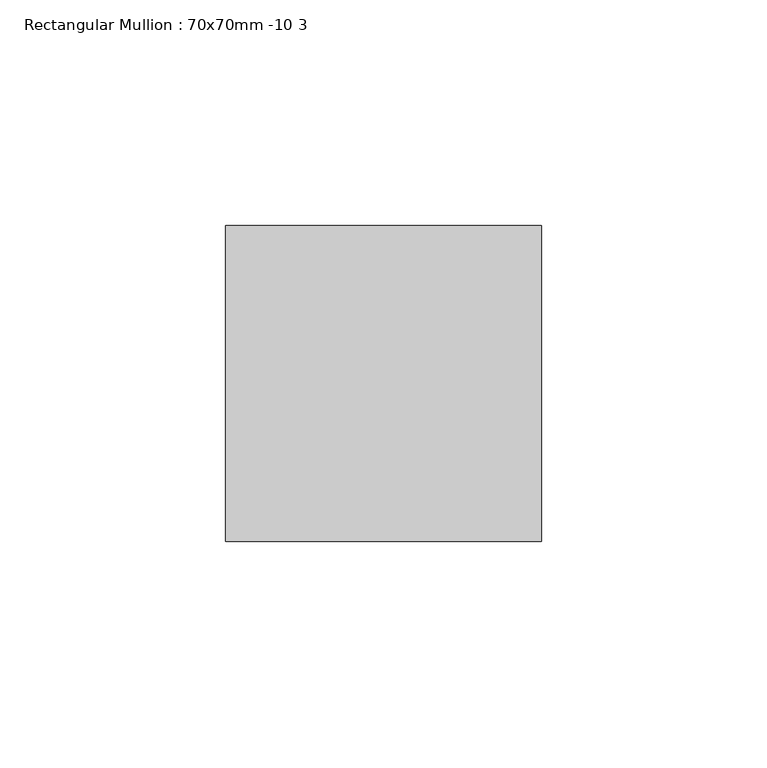
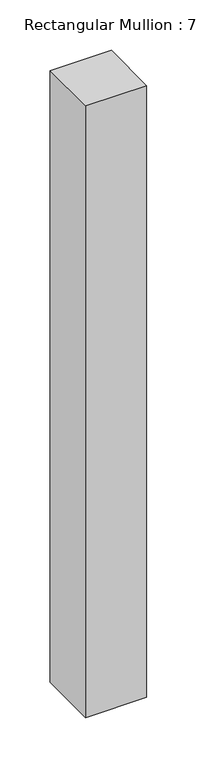
"""IFC4 building model written with IfcOpenShell, lengths in millimetres: member geometry, Rectangular Mullion : 70x70mm -10 3."""

from ifc_helpers import new_model, si_unit, frame, origin, place, context, project, spatial, polyline, outline, extrude, source, transform, mapped, element, save


def rectangular_mullion_70x70mm_10_3_0b1db34a(model_context):
    return source(origin(), model_context, "Body", "SweptSolid", [
        extrude(outline(polyline([(35.0, 45.0), (35.0, -25.0), (-35.0, -25.0), (-35.0, 45.0), (35.0, 45.0)])), frame((0.0, 0.0, -739.8532665), z_axis=(0.0, 0.0, 1.0), x_axis=(1.0, 0.0, 0.0)), (0.0, 0.0, 1.0), 739.8532665),
    ])


if __name__ == "__main__":
    model = new_model("IFC4")
    model_context = context("Model", 3, world=origin())
    ifc_project = project(units=[si_unit("LENGTHUNIT", "METRE", prefix="MILLI")], contexts=[model_context])
    site = spatial("IfcSite", under=ifc_project)
    building = spatial("IfcBuilding", under=site)
    placement = place(None, origin())
    rectangular_mullion_70x70mm_10_3_shape = rectangular_mullion_70x70mm_10_3_0b1db34a(model_context)
    element("IfcMember", 1, ObjectType="Rectangular Mullion : 70x70mm -10 3", at=placement, inside=building, context=model_context, shape_type="MappedRepresentation", body=[
        mapped(rectangular_mullion_70x70mm_10_3_shape, transform((0.0, 0.0, 0.0), x_axis=(1.0, 0.0, 0.0), y_axis=(0.0, 1.0, 0.0), z_axis=(0.0, 0.0, 1.0))),
    ])
    save(model, "model.ifc")
